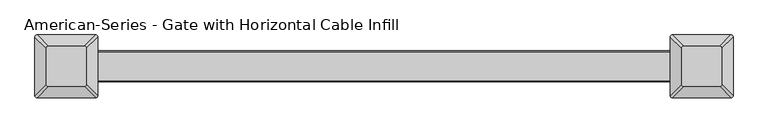
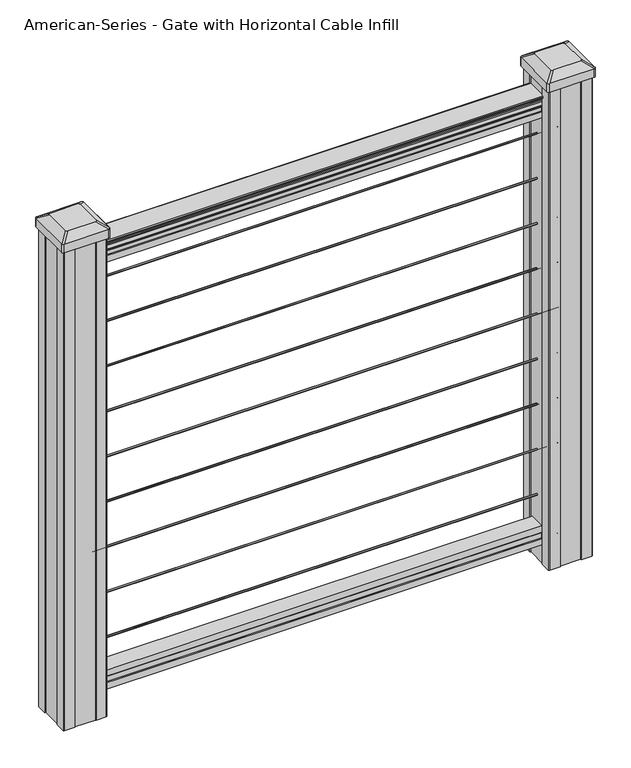
"""IFC4 building model written with IfcOpenShell, lengths in millimetres: proxy geometry, American-Series - Gate with Horizontal Cable Infill."""

from ifc_helpers import new_model, si_unit, point, frame, frame_2d, origin, place, context, project, spatial, polyline, circle_curve, trimmed, segment, composite_curve, outline, extrude, source, transform, mapped, element, save
from ifc_brep_helpers import plane_surface, extruded_surface, advanced_brep


def american_series_gate_with_horizontal_cable_infill_2db13526(model_context):
    return source(origin(), model_context, "Body", "SolidModel", [
        extrude(outline(polyline([(-15.9124869, 76.0541976), (-14.8964869, 77.3546183), (-14.8964869, 87.7141717), (-15.9124869, 89.0624492), (-15.9124869, 101.5958781), (15.8375131, 101.5958781), (15.8375131, 89.0458024), (14.8215131, 87.6975248), (14.8215131, 77.3858283), (15.8375131, 76.0375508), (15.8375131, 63.5), (-15.9124869, 63.5), (-15.9124869, 76.0541976)])), frame((-457.2, 0.0, 0.0), z_axis=(1.0, 0.0, 0.0), x_axis=(0.0, 1.0, 0.0)), (0.0, 0.0, 1.0), 914.4),
        extrude(outline(composite_curve([segment(trimmed(circle_curve(frame_2d((0.0, 784.7541667)), 1.5875), [point((1.5875, 784.7541667))], [point((0.0, 783.1666667))], False, "CARTESIAN"), True, "CONTINUOUS"), segment(trimmed(circle_curve(frame_2d((0.0, 784.7541667)), 1.5875), [point((0.0, 783.1666667))], [point((-1.5875, 784.7541667))], False, "CARTESIAN"), True, "CONTINUOUS"), segment(trimmed(circle_curve(frame_2d((0.0, 784.7541667)), 1.5875), [point((-1.5875, 784.7541667))], [point((0.0, 786.3416667))], False, "CARTESIAN"), True, "CONTINUOUS"), segment(trimmed(circle_curve(frame_2d((0.0, 784.7541667)), 1.5875), [point((0.0, 786.3416667))], [point((1.5875, 784.7541667))], False, "CARTESIAN"), True, "CONTINUOUS")], self_intersect=False)), frame((-457.2, 0.0, 0.0), z_axis=(1.0, 0.0, 0.0), x_axis=(0.0, 1.0, 0.0)), (0.0, 0.0, 1.0), 914.4),
        extrude(outline(composite_curve([segment(trimmed(circle_curve(frame_2d((0.0, 694.7958333)), 1.5875), [point((1.5875, 694.7958333))], [point((0.0, 693.2083333))], False, "CARTESIAN"), True, "CONTINUOUS"), segment(trimmed(circle_curve(frame_2d((0.0, 694.7958333)), 1.5875), [point((0.0, 693.2083333))], [point((-1.5875, 694.7958333))], False, "CARTESIAN"), True, "CONTINUOUS"), segment(trimmed(circle_curve(frame_2d((0.0, 694.7958333)), 1.5875), [point((-1.5875, 694.7958333))], [point((0.0, 696.3833333))], False, "CARTESIAN"), True, "CONTINUOUS"), segment(trimmed(circle_curve(frame_2d((0.0, 694.7958333)), 1.5875), [point((0.0, 696.3833333))], [point((1.5875, 694.7958333))], False, "CARTESIAN"), True, "CONTINUOUS")], self_intersect=False)), frame((-457.2, 0.0, 0.0), z_axis=(1.0, 0.0, 0.0), x_axis=(0.0, 1.0, 0.0)), (0.0, 0.0, 1.0), 914.4),
        extrude(outline(composite_curve([segment(trimmed(circle_curve(frame_2d((0.0, 604.8375)), 1.5875), [point((1.5875, 604.8375))], [point((0.0, 603.25))], False, "CARTESIAN"), True, "CONTINUOUS"), segment(trimmed(circle_curve(frame_2d((0.0, 604.8375)), 1.5875), [point((0.0, 603.25))], [point((-1.5875, 604.8375))], False, "CARTESIAN"), True, "CONTINUOUS"), segment(trimmed(circle_curve(frame_2d((0.0, 604.8375)), 1.5875), [point((-1.5875, 604.8375))], [point((0.0, 606.425))], False, "CARTESIAN"), True, "CONTINUOUS"), segment(trimmed(circle_curve(frame_2d((0.0, 604.8375)), 1.5875), [point((0.0, 606.425))], [point((1.5875, 604.8375))], False, "CARTESIAN"), True, "CONTINUOUS")], self_intersect=False)), frame((-457.2, 0.0, 0.0), z_axis=(1.0, 0.0, 0.0), x_axis=(0.0, 1.0, 0.0)), (0.0, 0.0, 1.0), 914.4),
        extrude(outline(composite_curve([segment(trimmed(circle_curve(frame_2d((0.0, 514.8791667)), 1.5875), [point((1.5875, 514.8791667))], [point((0.0, 513.2916667))], False, "CARTESIAN"), True, "CONTINUOUS"), segment(trimmed(circle_curve(frame_2d((0.0, 514.8791667)), 1.5875), [point((0.0, 513.2916667))], [point((-1.5875, 514.8791667))], False, "CARTESIAN"), True, "CONTINUOUS"), segment(trimmed(circle_curve(frame_2d((0.0, 514.8791667)), 1.5875), [point((-1.5875, 514.8791667))], [point((0.0, 516.4666667))], False, "CARTESIAN"), True, "CONTINUOUS"), segment(trimmed(circle_curve(frame_2d((0.0, 514.8791667)), 1.5875), [point((0.0, 516.4666667))], [point((1.5875, 514.8791667))], False, "CARTESIAN"), True, "CONTINUOUS")], self_intersect=False)), frame((-457.2, 0.0, 0.0), z_axis=(1.0, 0.0, 0.0), x_axis=(0.0, 1.0, 0.0)), (0.0, 0.0, 1.0), 914.4),
        extrude(outline(composite_curve([segment(trimmed(circle_curve(frame_2d((0.0, 424.9208333)), 1.5875), [point((1.5875, 424.9208333))], [point((0.0, 423.3333333))], False, "CARTESIAN"), True, "CONTINUOUS"), segment(trimmed(circle_curve(frame_2d((0.0, 424.9208333)), 1.5875), [point((0.0, 423.3333333))], [point((-1.5875, 424.9208333))], False, "CARTESIAN"), True, "CONTINUOUS"), segment(trimmed(circle_curve(frame_2d((0.0, 424.9208333)), 1.5875), [point((-1.5875, 424.9208333))], [point((0.0, 426.5083333))], False, "CARTESIAN"), True, "CONTINUOUS"), segment(trimmed(circle_curve(frame_2d((0.0, 424.9208333)), 1.5875), [point((0.0, 426.5083333))], [point((1.5875, 424.9208333))], False, "CARTESIAN"), True, "CONTINUOUS")], self_intersect=False)), frame((-457.2, 0.0, 0.0), z_axis=(1.0, 0.0, 0.0), x_axis=(0.0, 1.0, 0.0)), (0.0, 0.0, 1.0), 914.4),
        extrude(outline(composite_curve([segment(trimmed(circle_curve(frame_2d((0.0, 334.9625)), 1.5875), [point((1.5875, 334.9625))], [point((0.0, 333.375))], False, "CARTESIAN"), True, "CONTINUOUS"), segment(trimmed(circle_curve(frame_2d((0.0, 334.9625)), 1.5875), [point((0.0, 333.375))], [point((-1.5875, 334.9625))], False, "CARTESIAN"), True, "CONTINUOUS"), segment(trimmed(circle_curve(frame_2d((0.0, 334.9625)), 1.5875), [point((-1.5875, 334.9625))], [point((0.0, 336.55))], False, "CARTESIAN"), True, "CONTINUOUS"), segment(trimmed(circle_curve(frame_2d((0.0, 334.9625)), 1.5875), [point((0.0, 336.55))], [point((1.5875, 334.9625))], False, "CARTESIAN"), True, "CONTINUOUS")], self_intersect=False)), frame((-457.2, 0.0, 0.0), z_axis=(1.0, 0.0, 0.0), x_axis=(0.0, 1.0, 0.0)), (0.0, 0.0, 1.0), 914.4),
        extrude(outline(composite_curve([segment(trimmed(circle_curve(frame_2d((0.0, 245.0041667)), 1.5875), [point((1.5875, 245.0041667))], [point((0.0, 243.4166667))], False, "CARTESIAN"), True, "CONTINUOUS"), segment(trimmed(circle_curve(frame_2d((0.0, 245.0041667)), 1.5875), [point((0.0, 243.4166667))], [point((-1.5875, 245.0041667))], False, "CARTESIAN"), True, "CONTINUOUS"), segment(trimmed(circle_curve(frame_2d((0.0, 245.0041667)), 1.5875), [point((-1.5875, 245.0041667))], [point((0.0, 246.5916667))], False, "CARTESIAN"), True, "CONTINUOUS"), segment(trimmed(circle_curve(frame_2d((0.0, 245.0041667)), 1.5875), [point((0.0, 246.5916667))], [point((1.5875, 245.0041667))], False, "CARTESIAN"), True, "CONTINUOUS")], self_intersect=False)), frame((-457.2, 0.0, 0.0), z_axis=(1.0, 0.0, 0.0), x_axis=(0.0, 1.0, 0.0)), (0.0, 0.0, 1.0), 914.4),
        extrude(outline(composite_curve([segment(trimmed(circle_curve(frame_2d((0.0, 155.0458333)), 1.5875), [point((1.5875, 155.0458333))], [point((0.0, 153.4583333))], False, "CARTESIAN"), True, "CONTINUOUS"), segment(trimmed(circle_curve(frame_2d((0.0, 155.0458333)), 1.5875), [point((0.0, 153.4583333))], [point((-1.5875, 155.0458333))], False, "CARTESIAN"), True, "CONTINUOUS"), segment(trimmed(circle_curve(frame_2d((0.0, 155.0458333)), 1.5875), [point((-1.5875, 155.0458333))], [point((0.0, 156.6333333))], False, "CARTESIAN"), True, "CONTINUOUS"), segment(trimmed(circle_curve(frame_2d((0.0, 155.0458333)), 1.5875), [point((0.0, 156.6333333))], [point((1.5875, 155.0458333))], False, "CARTESIAN"), True, "CONTINUOUS")], self_intersect=False)), frame((-457.2, 0.0, 0.0), z_axis=(1.0, 0.0, 0.0), x_axis=(0.0, 1.0, 0.0)), (0.0, 0.0, 1.0), 914.4),
        extrude(outline(composite_curve([segment(trimmed(circle_curve(frame_2d((0.0, 874.7125)), 1.5875), [point((1.5875, 874.7125))], [point((0.0, 873.125))], False, "CARTESIAN"), True, "CONTINUOUS"), segment(trimmed(circle_curve(frame_2d((0.0, 874.7125)), 1.5875), [point((0.0, 873.125))], [point((-1.5875, 874.7125))], False, "CARTESIAN"), True, "CONTINUOUS"), segment(trimmed(circle_curve(frame_2d((0.0, 874.7125)), 1.5875), [point((-1.5875, 874.7125))], [point((0.0, 876.3))], False, "CARTESIAN"), True, "CONTINUOUS"), segment(trimmed(circle_curve(frame_2d((0.0, 874.7125)), 1.5875), [point((0.0, 876.3))], [point((1.5875, 874.7125))], False, "CARTESIAN"), True, "CONTINUOUS")], self_intersect=False)), frame((-457.2, 0.0, 0.0), z_axis=(1.0, 0.0, 0.0), x_axis=(0.0, 1.0, 0.0)), (0.0, 0.0, 1.0), 914.4),
        extrude(outline(composite_curve([segment(trimmed(circle_curve(frame_2d((0.0, 65.0875)), 1.5875), [point((1.5875, 65.0875))], [point((0.0, 63.5))], False, "CARTESIAN"), True, "CONTINUOUS"), segment(trimmed(circle_curve(frame_2d((0.0, 65.0875)), 1.5875), [point((0.0, 63.5))], [point((-1.5875, 65.0875))], False, "CARTESIAN"), True, "CONTINUOUS"), segment(trimmed(circle_curve(frame_2d((0.0, 65.0875)), 1.5875), [point((-1.5875, 65.0875))], [point((0.0, 66.675))], False, "CARTESIAN"), True, "CONTINUOUS"), segment(trimmed(circle_curve(frame_2d((0.0, 65.0875)), 1.5875), [point((0.0, 66.675))], [point((1.5875, 65.0875))], False, "CARTESIAN"), True, "CONTINUOUS")], self_intersect=False)), frame((-457.2, 0.0, 0.0), z_axis=(1.0, 0.0, 0.0), x_axis=(0.0, 1.0, 0.0)), (0.0, 0.0, 1.0), 914.4),
        extrude(outline(composite_curve([segment(polyline([(938.4043297, 17.4328287), (940.292412, 17.4328287)]), True, "CONTINUOUS"), segment(trimmed(circle_curve(frame_2d((946.0506383, 11.1180755)), 8.545951), [point((940.292412, 17.4328287))], [point((941.8546695, 18.563015))], False, "CARTESIAN"), True, "CONTINUOUS"), segment(trimmed(circle_curve(frame_2d((945.4636577, 11.5551384)), 7.882584), [point((941.8546695, 18.563015))], [point((949.0726458, 18.563015))], False, "CARTESIAN"), True, "CONTINUOUS"), segment(trimmed(circle_curve(frame_2d((951.3112527, 22.0684625)), 4.1592695), [point((949.0726458, 18.563015))], [point((951.5060812, 17.9137586))], True, "CARTESIAN"), True, "CONTINUOUS"), segment(trimmed(circle_curve(frame_2d((951.2508864, 23.3557691)), 5.4479907), [point((951.5060812, 17.9137586))], [point((955.8362083, 20.4137586))], True, "CARTESIAN"), True, "CONTINUOUS"), segment(trimmed(circle_curve(frame_2d((955.833395, 22.1226107)), 1.7088543), [point((955.8362083, 20.4137586))], [point((957.5157972, 21.8231011))], True, "CARTESIAN"), True, "CONTINUOUS"), segment(trimmed(circle_curve(frame_2d((958.6205318, 20.5057106)), 1.7192895), [point((957.5157972, 21.8231011))], [point((958.6205318, 22.2250001))], False, "CARTESIAN"), True, "CONTINUOUS"), segment(polyline([(958.6205318, 22.2250001), (959.9608158, 22.225)]), True, "CONTINUOUS"), segment(trimmed(circle_curve(frame_2d((959.9608158, 20.6715528)), 1.5534472), [point((959.9608158, 22.225))], [point((961.514263, 20.6715528))], False, "CARTESIAN"), True, "CONTINUOUS"), segment(polyline([(961.514263, 20.6715528), (961.514263, -20.6715528)]), True, "CONTINUOUS"), segment(trimmed(circle_curve(frame_2d((959.9608158, -20.6715528)), 1.5534472), [point((961.514263, -20.6715528))], [point((959.9608158, -22.225))], False, "CARTESIAN"), True, "CONTINUOUS"), segment(polyline([(959.9608158, -22.225), (958.6205318, -22.225)]), True, "CONTINUOUS"), segment(trimmed(circle_curve(frame_2d((958.6205318, -20.5057106)), 1.7192895), [point((958.6205318, -22.225))], [point((957.5157972, -21.8231011))], False, "CARTESIAN"), True, "CONTINUOUS"), segment(trimmed(circle_curve(frame_2d((955.833395, -22.1226107)), 1.7088543), [point((957.5157972, -21.8231011))], [point((955.8362083, -20.4137586))], True, "CARTESIAN"), True, "CONTINUOUS"), segment(trimmed(circle_curve(frame_2d((951.2508864, -23.3557691)), 5.4479907), [point((955.8362083, -20.4137586))], [point((951.5060812, -17.9137586))], True, "CARTESIAN"), True, "CONTINUOUS"), segment(trimmed(circle_curve(frame_2d((951.3112527, -22.0684625)), 4.1592695), [point((951.5060812, -17.9137586))], [point((949.0726458, -18.563015))], True, "CARTESIAN"), True, "CONTINUOUS"), segment(trimmed(circle_curve(frame_2d((945.4636577, -11.5551384)), 7.882584), [point((949.0726458, -18.563015))], [point((941.8546695, -18.563015))], False, "CARTESIAN"), True, "CONTINUOUS"), segment(trimmed(circle_curve(frame_2d((946.0506383, -11.1180755)), 8.545951), [point((941.8546695, -18.563015))], [point((940.292412, -17.4328287))], False, "CARTESIAN"), True, "CONTINUOUS"), segment(polyline([(940.292412, -17.4328287), (938.4043297, -17.4328287)]), True, "CONTINUOUS"), segment(trimmed(circle_curve(frame_2d((938.4043297, -16.1459144)), 1.2869144), [point((938.4043297, -17.4328287))], [point((938.4043297, -14.859))], False, "CARTESIAN"), True, "CONTINUOUS"), segment(polyline([(938.4043297, -14.859), (927.9048283, -14.859), (926.8888283, -15.875), (914.4, -15.875), (914.4, 15.875), (926.731013, 15.875), (927.747013, 14.859), (938.4043297, 14.859)]), True, "CONTINUOUS"), segment(trimmed(circle_curve(frame_2d((938.4043297, 16.1459144)), 1.2869144), [point((938.4043297, 14.859))], [point((938.4043297, 17.4328287))], False, "CARTESIAN"), True, "CONTINUOUS")], self_intersect=False)), frame((457.2, 0.0, 0.0), z_axis=(-1.0, 0.0, 0.0), x_axis=(0.0, 0.0, 1.0)), (0.0, 0.0, 1.0), 914.4),
        advanced_brep(
        [(431.403125, 28.971875, 1012.825), (428.228125, 25.796875, 1012.825), (428.228125, -25.796875, 1012.825), (431.403125, -28.971875, 1012.825), (482.996875, -28.971875, 1012.825), (486.171875, -25.796875, 1012.825), (486.171875, 25.796875, 1012.825), (482.996875, 28.971875, 1012.825), (415.13125, 45.24375, 1001.522), (499.26875, 45.24375, 1001.522), (502.44375, 42.06875, 1001.522), (502.44375, -42.06875, 1001.522), (499.26875, -45.24375, 1001.522), (415.13125, -45.24375, 1001.522), (411.95625, -42.06875, 1001.522), (411.95625, 42.06875, 1001.522)],
        [
            (0, 1, circle_curve(frame((431.403125, 25.796875, 1012.825), z_axis=(0.0, 0.0, 1.0), x_axis=(0.0, -1.0, 0.0)), 3.175)),
            (1, 2),
            (2, 3, circle_curve(frame((431.403125, -25.796875, 1012.825), z_axis=(0.0, 0.0, 1.0), x_axis=(0.0, -1.0, 0.0)), 3.175)),
            (3, 4),
            (4, 5, circle_curve(frame((482.996875, -25.796875, 1012.825), z_axis=(0.0, 0.0, 1.0), x_axis=(0.0, -1.0, 0.0)), 3.175)),
            (5, 6),
            (6, 7, circle_curve(frame((482.996875, 25.796875, 1012.825), z_axis=(0.0, 0.0, 1.0), x_axis=(0.0, -1.0, 0.0)), 3.175)),
            (7, 0),
            (8, 9),
            (9, 10, circle_curve(frame((499.26875, 42.06875, 1001.522), z_axis=(0.0, 0.0, -1.0), x_axis=(0.0, -1.0, 0.0)), 3.175)),
            (10, 11),
            (11, 12, circle_curve(frame((499.26875, -42.06875, 1001.522), z_axis=(0.0, 0.0, -1.0), x_axis=(0.0, -1.0, 0.0)), 3.175)),
            (12, 13),
            (13, 14, circle_curve(frame((415.13125, -42.06875, 1001.522), z_axis=(0.0, 0.0, -1.0), x_axis=(0.0, -1.0, 0.0)), 3.175)),
            (14, 15),
            (15, 8, circle_curve(frame((415.13125, 42.06875, 1001.522), z_axis=(0.0, 0.0, -1.0), x_axis=(0.0, -1.0, 0.0)), 3.175)),
            (15, 1),
            (0, 8),
            (14, 2),
            (13, 3),
            (12, 4),
            (11, 5),
            (10, 6),
            (9, 7),
        ],
        [
            plane_surface(frame((457.2, 0.0, 1012.825), z_axis=(0.0, 0.0, 1.0), x_axis=(-1.0, 0.0, 0.0))),
            plane_surface(frame((457.2, 0.0, 1001.522), z_axis=(0.0, 0.0, -1.0), x_axis=(-1.0, 0.0, 0.0))),
            extruded_surface(trimmed(circle_curve(frame((415.13125, 42.06875, 1001.522), z_axis=(0.0, 0.0, 1.0), x_axis=(0.0, -1.0, 0.0)), 3.175), [point((415.13125, 45.24375, 1001.522))], [point((411.95625, 42.06875, 1001.522))], True, "CARTESIAN"), (16.271874999999966, -16.271875, 11.302999999999997), 25.63797263886614),
            plane_surface(frame((411.95625, 0.0, 1001.522), z_axis=(-0.5705009161540779, 0.0, 0.8212969649690408), x_axis=(0.0, -1.0, 0.0))),
            extruded_surface(trimmed(circle_curve(frame((415.13125, -42.06875, 1001.522), z_axis=(0.0, 0.0, 1.0), x_axis=(0.0, -1.0, 0.0)), 3.175), [point((411.95625, -42.06875, 1001.522))], [point((415.13125, -45.24375, 1001.522))], True, "CARTESIAN"), (16.271874999999966, 16.271875, 11.302999999999997), 25.63797263886614),
            plane_surface(frame((457.2, -45.24375, 1001.522), z_axis=(0.0, -0.5705009161540291, 0.8212969649690747), x_axis=(1.0, 0.0, 0.0))),
            extruded_surface(trimmed(circle_curve(frame((499.26875, -42.06875, 1001.522), z_axis=(0.0, 0.0, 1.0), x_axis=(0.0, -1.0, 0.0)), 3.175), [point((499.26875, -45.24375, 1001.522))], [point((502.44375, -42.06875, 1001.522))], True, "CARTESIAN"), (-16.271875000000023, 16.271875, 11.302999999999997), 25.637972638866177),
            plane_surface(frame((502.44375, 0.0, 1001.522), z_axis=(0.5705009161540141, 0.0, 0.8212969649690851), x_axis=(0.0, 1.0, 0.0))),
            extruded_surface(trimmed(circle_curve(frame((499.26875, 42.06875, 1001.522), z_axis=(0.0, 0.0, 1.0), x_axis=(0.0, -1.0, 0.0)), 3.175), [point((502.44375, 42.06875, 1001.522))], [point((499.26875, 45.24375, 1001.522))], True, "CARTESIAN"), (-16.271875000000023, -16.271875, 11.302999999999997), 25.637972638866177),
            plane_surface(frame((457.2, 45.24375, 1001.522), z_axis=(0.0, 0.570500916154034, 0.8212969649690713), x_axis=(-1.0, 0.0, 0.0))),
        ],
        [
            (0, [[1, 2, 3, 4, 5, 6, 7, 8]]),
            (1, [[9, 10, 11, 12, 13, 14, 15, 16]]),
            (2, [[-16, 17, -1, 18]]),
            (3, [[-15, 19, -2, -17]]),
            (4, [[-14, 20, -3, -19]]),
            (5, [[-13, 21, -4, -20]]),
            (6, [[-12, 22, -5, -21]]),
            (7, [[-11, 23, -6, -22]]),
            (8, [[-10, 24, -7, -23]]),
            (9, [[-9, -18, -8, -24]]),
        ],
    ),
        extrude(outline(composite_curve([segment(polyline([(415.13125, 45.24375), (499.26875, 45.24375)]), True, "CONTINUOUS"), segment(trimmed(circle_curve(frame_2d((499.26875, 42.06875)), 3.175), [point((499.26875, 45.24375))], [point((502.44375, 42.06875))], False, "CARTESIAN"), True, "CONTINUOUS"), segment(polyline([(502.44375, 42.06875), (502.44375, -42.06875)]), True, "CONTINUOUS"), segment(trimmed(circle_curve(frame_2d((499.26875, -42.06875)), 3.175), [point((502.44375, -42.06875))], [point((499.26875, -45.24375))], False, "CARTESIAN"), True, "CONTINUOUS"), segment(polyline([(499.26875, -45.24375), (415.13125, -45.24375)]), True, "CONTINUOUS"), segment(trimmed(circle_curve(frame_2d((415.13125, -42.06875)), 3.175), [point((415.13125, -45.24375))], [point((411.95625, -42.06875))], False, "CARTESIAN"), True, "CONTINUOUS"), segment(polyline([(411.95625, -42.06875), (411.95625, 42.06875)]), True, "CONTINUOUS"), segment(trimmed(circle_curve(frame_2d((415.13125, 42.06875)), 3.175), [point((411.95625, 42.06875))], [point((415.13125, 45.24375))], False, "CARTESIAN"), True, "CONTINUOUS")], self_intersect=False)), frame((0.0, 0.0, 984.25), z_axis=(0.0, 0.0, 1.0), x_axis=(1.0, 0.0, 0.0)), (0.0, 0.0, 1.0), 17.272),
        extrude(outline(polyline([(417.5125, 41.275), (437.134, 41.275), (437.896, 39.6875), (476.504, 39.6875), (477.266, 41.275), (496.8875, 41.275), (498.475, 39.6875), (498.475, 20.066), (496.8875, 19.304), (496.8875, -19.304), (498.475, -20.066), (498.475, -39.6875), (496.8875, -41.275), (477.266, -41.275), (476.504, -39.6875), (437.896, -39.6875), (437.134, -41.275), (417.5125, -41.275), (415.925, -39.6875), (415.925, -20.066), (417.5125, -19.304), (417.5125, 19.304), (415.925, 20.066), (415.925, 39.6875), (417.5125, 41.275)])), frame((0.0, 0.0, 28.575), z_axis=(0.0, 0.0, 1.0), x_axis=(1.0, 0.0, 0.0)), (0.0, 0.0, 1.0), 955.675),
        advanced_brep(
        [(-482.996875, 28.971875, 1012.825), (-486.171875, 25.796875, 1012.825), (-486.171875, -25.796875, 1012.825), (-482.996875, -28.971875, 1012.825), (-431.403125, -28.971875, 1012.825), (-428.228125, -25.796875, 1012.825), (-428.228125, 25.796875, 1012.825), (-431.403125, 28.971875, 1012.825), (-499.26875, 45.24375, 1001.522), (-415.13125, 45.24375, 1001.522), (-411.95625, 42.06875, 1001.522), (-411.95625, -42.06875, 1001.522), (-415.13125, -45.24375, 1001.522), (-499.26875, -45.24375, 1001.522), (-502.44375, -42.06875, 1001.522), (-502.44375, 42.06875, 1001.522)],
        [
            (0, 1, circle_curve(frame((-482.996875, 25.796875, 1012.825), z_axis=(0.0, 0.0, 1.0), x_axis=(0.0, -1.0, 0.0)), 3.175)),
            (1, 2),
            (2, 3, circle_curve(frame((-482.996875, -25.796875, 1012.825), z_axis=(0.0, 0.0, 1.0), x_axis=(0.0, -1.0, 0.0)), 3.175)),
            (3, 4),
            (4, 5, circle_curve(frame((-431.403125, -25.796875, 1012.825), z_axis=(0.0, 0.0, 1.0), x_axis=(0.0, -1.0, 0.0)), 3.175)),
            (5, 6),
            (6, 7, circle_curve(frame((-431.403125, 25.796875, 1012.825), z_axis=(0.0, 0.0, 1.0), x_axis=(0.0, -1.0, 0.0)), 3.175)),
            (7, 0),
            (8, 9),
            (9, 10, circle_curve(frame((-415.13125, 42.06875, 1001.522), z_axis=(0.0, 0.0, -1.0), x_axis=(0.0, -1.0, 0.0)), 3.175)),
            (10, 11),
            (11, 12, circle_curve(frame((-415.13125, -42.06875, 1001.522), z_axis=(0.0, 0.0, -1.0), x_axis=(0.0, -1.0, 0.0)), 3.175)),
            (12, 13),
            (13, 14, circle_curve(frame((-499.26875, -42.06875, 1001.522), z_axis=(0.0, 0.0, -1.0), x_axis=(0.0, -1.0, 0.0)), 3.175)),
            (14, 15),
            (15, 8, circle_curve(frame((-499.26875, 42.06875, 1001.522), z_axis=(0.0, 0.0, -1.0), x_axis=(0.0, -1.0, 0.0)), 3.175)),
            (15, 1),
            (0, 8),
            (14, 2),
            (13, 3),
            (12, 4),
            (11, 5),
            (10, 6),
            (9, 7),
        ],
        [
            plane_surface(frame((-457.2, 0.0, 1012.825), z_axis=(0.0, 0.0, 1.0), x_axis=(-1.0, 0.0, 0.0))),
            plane_surface(frame((-457.2, 0.0, 1001.522), z_axis=(0.0, 0.0, -1.0), x_axis=(-1.0, 0.0, 0.0))),
            extruded_surface(trimmed(circle_curve(frame((-499.26875, 42.06875, 1001.522), z_axis=(0.0, 0.0, 1.0), x_axis=(0.0, -1.0, 0.0)), 3.175), [point((-499.26875, 45.24375, 1001.522))], [point((-502.44375, 42.06875, 1001.522))], True, "CARTESIAN"), (16.271875000000023, -16.271875, 11.302999999999997), 25.637972638866177),
            plane_surface(frame((-502.44375, 0.0, 1001.522), z_axis=(-0.5705009161540779, 0.0, 0.8212969649690408), x_axis=(0.0, -1.0, 0.0))),
            extruded_surface(trimmed(circle_curve(frame((-499.26875, -42.06875, 1001.522), z_axis=(0.0, 0.0, 1.0), x_axis=(0.0, -1.0, 0.0)), 3.175), [point((-502.44375, -42.06875, 1001.522))], [point((-499.26875, -45.24375, 1001.522))], True, "CARTESIAN"), (16.271875000000023, 16.271875, 11.302999999999997), 25.637972638866177),
            plane_surface(frame((-457.2, -45.24375, 1001.522), z_axis=(0.0, -0.5705009161540291, 0.8212969649690747), x_axis=(1.0, 0.0, 0.0))),
            extruded_surface(trimmed(circle_curve(frame((-415.13125, -42.06875, 1001.522), z_axis=(0.0, 0.0, 1.0), x_axis=(0.0, -1.0, 0.0)), 3.175), [point((-415.13125, -45.24375, 1001.522))], [point((-411.95625, -42.06875, 1001.522))], True, "CARTESIAN"), (-16.271874999999966, 16.271875, 11.302999999999997), 25.63797263886614),
            plane_surface(frame((-411.95625, 0.0, 1001.522), z_axis=(0.5705009161540141, 0.0, 0.8212969649690851), x_axis=(0.0, 1.0, 0.0))),
            extruded_surface(trimmed(circle_curve(frame((-415.13125, 42.06875, 1001.522), z_axis=(0.0, 0.0, 1.0), x_axis=(0.0, -1.0, 0.0)), 3.175), [point((-411.95625, 42.06875, 1001.522))], [point((-415.13125, 45.24375, 1001.522))], True, "CARTESIAN"), (-16.271874999999966, -16.271875, 11.302999999999997), 25.63797263886614),
            plane_surface(frame((-457.2, 45.24375, 1001.522), z_axis=(0.0, 0.570500916154034, 0.8212969649690713), x_axis=(-1.0, 0.0, 0.0))),
        ],
        [
            (0, [[1, 2, 3, 4, 5, 6, 7, 8]]),
            (1, [[9, 10, 11, 12, 13, 14, 15, 16]]),
            (2, [[-16, 17, -1, 18]]),
            (3, [[-15, 19, -2, -17]]),
            (4, [[-14, 20, -3, -19]]),
            (5, [[-13, 21, -4, -20]]),
            (6, [[-12, 22, -5, -21]]),
            (7, [[-11, 23, -6, -22]]),
            (8, [[-10, 24, -7, -23]]),
            (9, [[-9, -18, -8, -24]]),
        ],
    ),
        extrude(outline(composite_curve([segment(polyline([(-499.26875, 45.24375), (-415.13125, 45.24375)]), True, "CONTINUOUS"), segment(trimmed(circle_curve(frame_2d((-415.13125, 42.06875)), 3.175), [point((-415.13125, 45.24375))], [point((-411.95625, 42.06875))], False, "CARTESIAN"), True, "CONTINUOUS"), segment(polyline([(-411.95625, 42.06875), (-411.95625, -42.06875)]), True, "CONTINUOUS"), segment(trimmed(circle_curve(frame_2d((-415.13125, -42.06875)), 3.175), [point((-411.95625, -42.06875))], [point((-415.13125, -45.24375))], False, "CARTESIAN"), True, "CONTINUOUS"), segment(polyline([(-415.13125, -45.24375), (-499.26875, -45.24375)]), True, "CONTINUOUS"), segment(trimmed(circle_curve(frame_2d((-499.26875, -42.06875)), 3.175), [point((-499.26875, -45.24375))], [point((-502.44375, -42.06875))], False, "CARTESIAN"), True, "CONTINUOUS"), segment(polyline([(-502.44375, -42.06875), (-502.44375, 42.06875)]), True, "CONTINUOUS"), segment(trimmed(circle_curve(frame_2d((-499.26875, 42.06875)), 3.175), [point((-502.44375, 42.06875))], [point((-499.26875, 45.24375))], False, "CARTESIAN"), True, "CONTINUOUS")], self_intersect=False)), frame((0.0, 0.0, 984.25), z_axis=(0.0, 0.0, 1.0), x_axis=(1.0, 0.0, 0.0)), (0.0, 0.0, 1.0), 17.272),
        extrude(outline(polyline([(-496.8875, 41.275), (-477.266, 41.275), (-476.504, 39.6875), (-437.896, 39.6875), (-437.134, 41.275), (-417.5125, 41.275), (-415.925, 39.6875), (-415.925, 20.066), (-417.5125, 19.304), (-417.5125, -19.304), (-415.925, -20.066), (-415.925, -39.6875), (-417.5125, -41.275), (-437.134, -41.275), (-437.896, -39.6875), (-476.504, -39.6875), (-477.266, -41.275), (-496.8875, -41.275), (-498.475, -39.6875), (-498.475, -20.066), (-496.8875, -19.304), (-496.8875, 19.304), (-498.475, 20.066), (-498.475, 39.6875), (-496.8875, 41.275)])), frame((0.0, 0.0, 28.575), z_axis=(0.0, 0.0, 1.0), x_axis=(1.0, 0.0, 0.0)), (0.0, 0.0, 1.0), 955.675),
    ])


if __name__ == "__main__":
    model = new_model("IFC4")
    model_context = context("Model", 3, world=origin())
    ifc_project = project(units=[si_unit("LENGTHUNIT", "METRE", prefix="MILLI")], contexts=[model_context])
    site = spatial("IfcSite", under=ifc_project)
    building = spatial("IfcBuilding", under=site)
    placement = place(None, origin())
    american_series_gate_with_horizontal_cable_infill_shape = american_series_gate_with_horizontal_cable_infill_2db13526(model_context)
    element("IfcBuildingElementProxy", 1, Name="American-Series - Gate with Horizontal Cable Infill", ObjectType="American-Series - Gate with Horizontal Cable Infill", at=placement, inside=building, context=model_context, shape_type="MappedRepresentation", body=[
        mapped(american_series_gate_with_horizontal_cable_infill_shape, transform((0.0, 0.0, 0.0), x_axis=(1.0, 0.0, 0.0), y_axis=(0.0, 1.0, 0.0), z_axis=(0.0, 0.0, 1.0))),
    ])
    save(model, "model.ifc")
